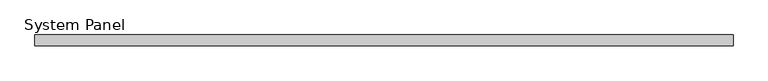
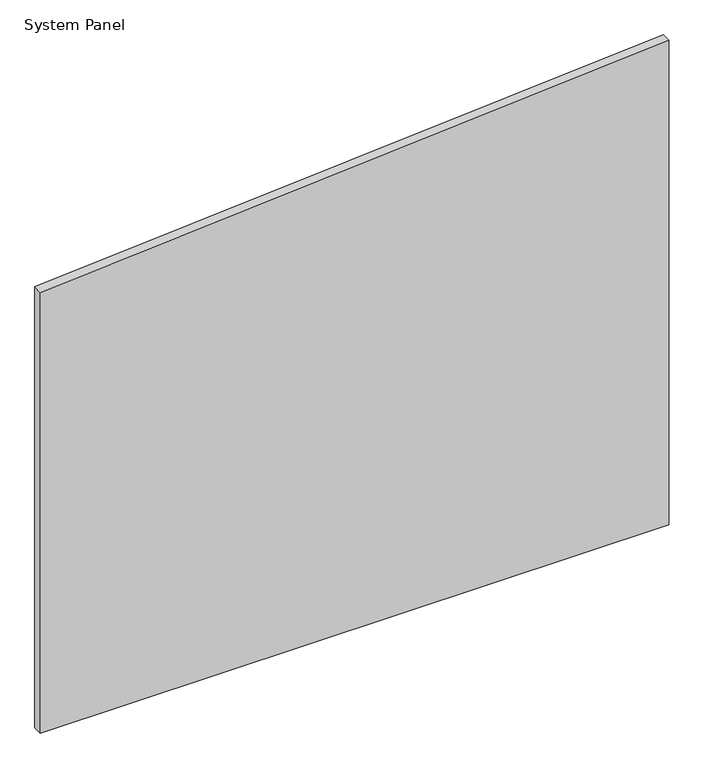
"""IFC4 building model written with IfcOpenShell, lengths in millimetres: plate geometry, System Panel."""

from ifc_helpers import new_model, si_unit, frame, origin, place, context, project, spatial, polyline, outline, extrude, source, transform, mapped, element, save


def system_panel_b2c594fc(model_context):
    return source(origin(), model_context, "Body", "SweptSolid", [
        extrude(outline(polyline([(0.0, -654.8346948), (0.0, 654.8346948), (1066.2606053, 654.8346948), (969.8626085, -654.8346948), (0.0, -654.8346948)])), frame((0.0, -10.0, 0.0), z_axis=(0.0, 1.0, 0.0), x_axis=(0.0, 0.0, 1.0)), (0.0, 0.0, 1.0), 20.0),
    ])


if __name__ == "__main__":
    model = new_model("IFC4")
    model_context = context("Model", 3, world=origin())
    ifc_project = project(units=[si_unit("LENGTHUNIT", "METRE", prefix="MILLI")], contexts=[model_context])
    site = spatial("IfcSite", under=ifc_project)
    building = spatial("IfcBuilding", under=site)
    placement = place(None, origin())
    system_panel_shape = system_panel_b2c594fc(model_context)
    element("IfcPlate", 1, ObjectType="System Panel", at=placement, inside=building, context=model_context, shape_type="MappedRepresentation", body=[
        mapped(system_panel_shape, transform((0.0, 0.0, 0.0), x_axis=(1.0, 0.0, 0.0), y_axis=(0.0, 1.0, 0.0), z_axis=(0.0, 0.0, 1.0))),
    ])
    save(model, "model.ifc")
